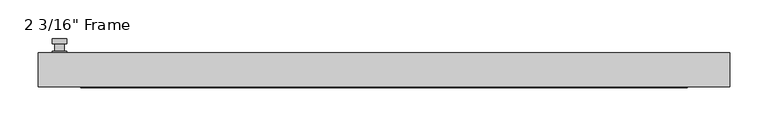
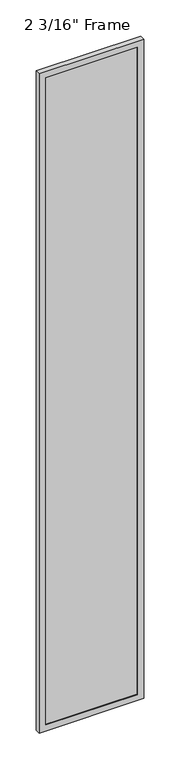
"""IFC4 building model written with IfcOpenShell, lengths in millimetres: plate geometry."""

import ifcopenshell
import ifcopenshell.guid

model = None  # the IFC model being written
_history = None  # IfcOwnerHistory: only IFC2X3 demands one
_inside = {}  # id of a spatial element -> (the spatial element, [elements in it])
_under = {}  # id of a project, library or spatial element -> (it, [spatial elements below it])
_declared = {}  # id of a project -> (the project, [libraries it declares])
_typed = {}  # id of a type object -> (the type object, [elements of that type])
_made_of = {}  # id of a material, layer set ... -> (it, [elements and type objects made of it])


def new_model(schema):
    """Start an empty IFC model of exactly this schema.

    Asked for "IFC4X3", IfcOpenShell would pick the latest addendum, in which some entities
    have other attributes; the version numbers below select the first issue.
    IFC2X3 requires an IfcOwnerHistory on every rooted entity: one is made here for all.
    """
    global model, _history
    if schema == "IFC4X3":
        model = ifcopenshell.file(schema_version=(4, 3, 0, 0))
    else:
        model = ifcopenshell.file(schema=schema)
    _inside.clear()
    _under.clear()
    _declared.clear()
    _typed.clear()
    _made_of.clear()
    _history = None
    if model.schema == "IFC2X3":
        org = make("IfcOrganization", Name="unknown")
        user = make(
            "IfcPersonAndOrganization",
            ThePerson=make("IfcPerson", FamilyName="unknown"),
            TheOrganization=org,
        )
        app = make(
            "IfcApplication",
            ApplicationDeveloper=org,
            Version="unknown",
            ApplicationFullName="unknown",
            ApplicationIdentifier="unknown",
        )
        _history = make(
            "IfcOwnerHistory",
            OwningUser=user,
            OwningApplication=app,
            ChangeAction="ADDED",
            CreationDate=0,
        )
    return model


def make(cls, **values):
    """One entity of the class cls with the attributes given. An attribute that is None is left unset."""
    return model.create_entity(
        cls, **{name: value for name, value in values.items() if value is not None}
    )


def rooted(cls, **values):
    """An entity with a GlobalId (a new one), such as an element, a storey or a relation."""
    return make(cls, GlobalId=ifcopenshell.guid.new(), OwnerHistory=_history, **values)


def si_unit(unit_type, name, prefix=None):
    """IfcSIUnit, for example si_unit("LENGTHUNIT", "METRE", prefix="MILLI")."""
    return make("IfcSIUnit", UnitType=unit_type, Prefix=prefix, Name=name)


def assignment(units):
    """IfcUnitAssignment: the units of a project."""
    return None if units is None else make("IfcUnitAssignment", Units=units)


def point(xyz):
    """IfcCartesianPoint."""
    return None if xyz is None else make("IfcCartesianPoint", Coordinates=xyz)


def direction(xyz):
    """IfcDirection."""
    return None if xyz is None else make("IfcDirection", DirectionRatios=xyz)


def frame(location, z_axis=None, x_axis=None):
    """IfcAxis2Placement3D, a coordinate frame: its origin and axes. An axis left out is left unset."""
    return make(
        "IfcAxis2Placement3D",
        Location=point(location),
        Axis=direction(z_axis),
        RefDirection=direction(x_axis),
    )


def origin():
    """The frame at (0, 0, 0) with its axes left unset."""
    return frame((0.0, 0.0, 0.0))


def place(relative_to, where):
    """IfcLocalPlacement: puts the frame where relative to a parent placement (None: the world)."""
    return make(
        "IfcLocalPlacement", PlacementRelTo=relative_to, RelativePlacement=where
    )


def context(
    kind, dimensions, precision=None, world=None, true_north=None, identifier=None
):
    """IfcGeometricRepresentationContext, for example the 3D "Model" context."""
    return make(
        "IfcGeometricRepresentationContext",
        ContextIdentifier=identifier,
        ContextType=kind,
        CoordinateSpaceDimension=dimensions,
        Precision=precision,
        WorldCoordinateSystem=world,
        TrueNorth=true_north,
    )


def project(units=None, contexts=None):
    """IfcProject with its units and contexts."""
    return rooted(
        "IfcProject",
        Name="project",
        RepresentationContexts=contexts,
        UnitsInContext=assignment(units),
    )


def spatial(cls, under=None, at=None, **own):
    """A site, building, storey or space (cls), placed at a placement, below another one or the project."""
    s = rooted(cls, ObjectPlacement=at, **own)
    if under is not None:
        _under.setdefault(under.id(), (under, []))[1].append(s)
    return s


def polyline(points):
    """IfcPolyline through the points."""
    return make("IfcPolyline", Points=[point(p) for p in points])


def circle_curve(where, radius):
    """IfcCircle in the frame where."""
    return make("IfcCircle", Position=where, Radius=radius)


def outline(outer, holes=None, kind="AREA"):
    """IfcArbitraryClosedProfileDef: a profile drawn as a closed curve; with holes, ...WithVoids."""
    if holes is None:
        return make("IfcArbitraryClosedProfileDef", ProfileType=kind, OuterCurve=outer)
    return make(
        "IfcArbitraryProfileDefWithVoids",
        ProfileType=kind,
        OuterCurve=outer,
        InnerCurves=holes,
    )


def extrude(swept, where, along, depth):
    """IfcExtrudedAreaSolid: the profile swept, set in the frame where, extruded along a direction by depth."""
    return make(
        "IfcExtrudedAreaSolid",
        SweptArea=swept,
        Position=where,
        ExtrudedDirection=direction(along),
        Depth=depth,
    )


def faces_of(points, faces, orient=None, outer=None):
    """IfcFace entities. A face is a list of loops; a loop is a list of indices into points, from 0.

    orient and outer hold one flag for each loop. By default every Orientation is true, the
    first loop of a face is its IfcFaceOuterBound and the others are IfcFaceBound.
    """
    made = []
    for i, loops in enumerate(faces):
        bounds = []
        for j, loop in enumerate(loops):
            is_outer = j == 0 if outer is None else outer[i][j]
            bounds.append(
                make(
                    "IfcFaceOuterBound" if is_outer else "IfcFaceBound",
                    Bound=make("IfcPolyLoop", Polygon=[points[k] for k in loop]),
                    Orientation=True if orient is None else orient[i][j],
                )
            )
        made.append(make("IfcFace", Bounds=bounds))
    return made


def faceted_brep(points, faces, orient=None, outer=None, voids=None):
    """IfcFacetedBrep: a solid bounded by flat faces; with voids (closed shells), ...WithVoids."""
    shared = [point(p) for p in points]
    hull = make("IfcClosedShell", CfsFaces=faces_of(shared, faces, orient, outer))
    if voids is None:
        return make("IfcFacetedBrep", Outer=hull)
    return make(
        "IfcFacetedBrepWithVoids",
        Outer=hull,
        Voids=[
            make(cls, CfsFaces=faces_of(shared, fs, o, b)) for cls, fs, o, b in voids
        ],
    )


def shape(context_of_items, identifier, shape_type, items):
    """IfcShapeRepresentation: the items that make up one representation, for example the "Body"."""
    return make(
        "IfcShapeRepresentation",
        ContextOfItems=context_of_items,
        RepresentationIdentifier=identifier,
        RepresentationType=shape_type,
        Items=items,
    )


def source(mapping_origin, context_of_items, identifier, shape_type, items):
    """IfcRepresentationMap: a shape defined once, which mapped items show again and again."""
    return make(
        "IfcRepresentationMap",
        MappingOrigin=mapping_origin,
        MappedRepresentation=shape(context_of_items, identifier, shape_type, items),
    )


def transform(
    local_origin,
    x_axis=None,
    y_axis=None,
    z_axis=None,
    scale=None,
    scale2=None,
    scale3=None,
    uniform=True,
):
    """IfcCartesianTransformationOperator3D, or its non-uniform kind. x_axis, y_axis, z_axis: its Axis1, 2, 3."""
    if uniform:
        return make(
            "IfcCartesianTransformationOperator3D",
            Axis1=direction(x_axis),
            Axis2=direction(y_axis),
            LocalOrigin=point(local_origin),
            Scale=scale,
            Axis3=direction(z_axis),
        )
    return make(
        "IfcCartesianTransformationOperator3DnonUniform",
        Axis1=direction(x_axis),
        Axis2=direction(y_axis),
        LocalOrigin=point(local_origin),
        Scale=scale,
        Axis3=direction(z_axis),
        Scale2=scale2,
        Scale3=scale3,
    )


def mapped(mapping_source, mapping_target):
    """IfcMappedItem: shows the shape of a source again, moved by a transform."""
    return make(
        "IfcMappedItem", MappingSource=mapping_source, MappingTarget=mapping_target
    )


def made_of(thing, what):
    """Note that an element or type object is made of a material, layer set ...; save() writes the relation."""
    if what is not None:
        _made_of.setdefault(what.id(), (what, []))[1].append(thing)
    return thing


def element(
    cls,
    number,
    at=None,
    inside=None,
    cuts=None,
    type_object=None,
    material=None,
    context=None,
    identifier="Body",
    shape_type=None,
    held_by="IfcProductDefinitionShape",
    body=None,
    shapes=None,
    **own,
):
    """One element of the class cls, such as IfcWall. Its Tag is "e" and its number.

    at: its placement. inside: the storey or other place that contains it. cuts: it is an
    opening in that element (IfcRelVoidsElement). A single representation is given by context,
    identifier, shape_type and body (its items); several are given by shapes. held_by: the class
    of the entity that holds the representations. save() writes the other relations.
    """
    e = rooted(cls, Tag="e%d" % number, ObjectPlacement=at, **own)
    if body is not None:
        shapes = [shape(context, identifier, shape_type, body)]
    if shapes is not None:
        e.Representation = make(held_by, Representations=shapes)
    if inside is not None:
        _inside.setdefault(inside.id(), (inside, []))[1].append(e)
    if cuts is not None:
        rooted(
            "IfcRelVoidsElement", RelatingBuildingElement=cuts, RelatedOpeningElement=e
        )
    if type_object is not None:
        _typed.setdefault(type_object.id(), (type_object, []))[1].append(e)
    return made_of(e, material)


def aggregate(whole, parts):
    """IfcRelAggregates: a whole, such as a stair, and the parts it consists of."""
    return rooted("IfcRelAggregates", RelatingObject=whole, RelatedObjects=parts)


def save(model, path):
    """Write the relations noted so far, then the file.

    IfcRelAggregates (storeys below a building ...), IfcRelContainedInSpatialStructure (elements
    in a storey), IfcRelDefinesByType, IfcRelAssociatesMaterial and IfcRelDeclares: one each for
    every whole, place, type object, material and project.
    """
    for whole, parts in _under.values():
        aggregate(whole, parts)
    for where, things in _inside.values():
        rooted(
            "IfcRelContainedInSpatialStructure",
            RelatedElements=things,
            RelatingStructure=where,
        )
    for kind, things in _typed.values():
        rooted("IfcRelDefinesByType", RelatedObjects=things, RelatingType=kind)
    for what, things in _made_of.values():
        rooted("IfcRelAssociatesMaterial", RelatedObjects=things, RelatingMaterial=what)
    for by, libraries in _declared.values():
        rooted("IfcRelDeclares", RelatingContext=by, RelatedDefinitions=libraries)
    model.write(path)


def plane_surface(at):
    """IfcPlane: the flat surface through the origin of the frame at, square to its z axis."""
    return make("IfcPlane", Position=at)


def cylinder_surface(at, radius):
    """IfcCylindricalSurface: all points at the distance radius from the z axis of the frame at."""
    return make("IfcCylindricalSurface", Position=at, Radius=radius)


def advanced_brep(points, edges, surfaces, faces):
    """IfcAdvancedBrep: a solid bounded by faces that lie on surfaces and meet in shared edges.

    An edge is (start, end): straight between two places in points (the first is 0);
    or (start, end, curve); or (start, end, curve, False) where it runs against its curve.
    A face is (place in surfaces, loops), or (place, loops, False) where it looks against
    its surface's normal. A loop lists edges by number (the first is 1), with a minus sign
    where the edge is run from its end to its start. The first loop is the outer one.
    """
    corners = [point(p) for p in points]
    vertices = [make("IfcVertexPoint", VertexGeometry=c) for c in corners]
    made = []
    for start, end, *more in edges:
        made.append(
            make(
                "IfcEdgeCurve",
                EdgeStart=vertices[start],
                EdgeEnd=vertices[end],
                EdgeGeometry=more[0] if more else make("IfcPolyline", Points=[corners[start], corners[end]]),
                SameSense=more[1] if len(more) > 1 else True,
            )
        )
    hull = []
    for where, loops, *sense in faces:
        bounds = []
        for j, loop in enumerate(loops):
            ring = [make("IfcOrientedEdge", EdgeElement=made[abs(k) - 1], Orientation=k > 0) for k in loop]
            bounds.append(
                make(
                    "IfcFaceOuterBound" if j == 0 else "IfcFaceBound",
                    Bound=make("IfcEdgeLoop", EdgeList=ring),
                    Orientation=True,
                )
            )
        hull.append(make("IfcAdvancedFace", Bounds=bounds, FaceSurface=surfaces[where], SameSense=sense[0] if sense else True))
    return make("IfcAdvancedBrep", Outer=make("IfcClosedShell", CfsFaces=hull))


def plate_f7bbe031(model_context):
    return source(origin(), model_context, "Body", "SolidModel", [
        advanced_brep(
        [(-415.13125, 22.225, 927.1), (-434.18125, 22.225, 927.1), (-434.18125, 22.225, 901.7), (-415.13125, 22.225, 901.7), (-418.30625, 34.925, 914.4), (-418.30625, 25.4, 914.4), (-431.00625, 25.4, 914.4), (-431.00625, 34.925, 914.4), (-415.13125, 34.925, 914.4), (-434.18125, 34.925, 914.4), (-431.0022144, 34.925, 825.2736467), (-418.3102856, 34.925, 825.2736467), (-415.13125, 41.275, 914.4), (-418.3102856, 41.275, 825.2736467), (-431.0022144, 41.275, 825.2736467), (-434.18125, 41.275, 914.4), (-415.13125, 25.4, 927.1), (-415.13125, 25.4, 901.7), (-434.18125, 25.4, 901.7), (-434.18125, 25.4, 927.1)],
        [
            (0, 1, circle_curve(frame((-424.65625, 22.225, 927.1), z_axis=(0.0, -1.0, 0.0), x_axis=(-1.0, 0.0, 0.0)), 9.525)),
            (1, 2),
            (2, 3, circle_curve(frame((-424.65625, 22.225, 901.7), z_axis=(0.0, -1.0, 0.0), x_axis=(-1.0, 0.0, 0.0)), 9.525)),
            (3, 0),
            (4, 5),
            (5, 6, circle_curve(frame((-424.65625, 25.4, 914.4), z_axis=(0.0, 1.0, 0.0), x_axis=(-1.0, 0.0, 0.0)), 6.35)),
            (6, 7),
            (7, 4, circle_curve(frame((-424.65625, 34.925, 914.4), z_axis=(0.0, -1.0, 0.0), x_axis=(-1.0, 0.0, 0.0)), 6.35)),
            (6, 5, circle_curve(frame((-424.65625, 25.4, 914.4), z_axis=(0.0, 1.0, 0.0), x_axis=(-1.0, 0.0, 0.0)), 6.35)),
            (4, 7, circle_curve(frame((-424.65625, 34.925, 914.4), z_axis=(0.0, -1.0, 0.0), x_axis=(-1.0, 0.0, 0.0)), 6.35)),
            (8, 9, circle_curve(frame((-424.65625, 34.925, 914.4), z_axis=(0.0, -1.0, 0.0), x_axis=(-1.0, 0.0, 0.0)), 9.525)),
            (9, 10),
            (10, 11, circle_curve(frame((-424.65625, 34.925, 825.5), z_axis=(0.0, -1.0, 0.0), x_axis=(-1.0, 0.0, 0.0)), 6.35)),
            (11, 8),
            (12, 13),
            (13, 14, circle_curve(frame((-424.65625, 41.275, 825.5), z_axis=(0.0, 1.0, 0.0), x_axis=(-1.0, 0.0, 0.0)), 6.35)),
            (14, 15),
            (15, 12, circle_curve(frame((-424.65625, 41.275, 914.4), z_axis=(0.0, 1.0, 0.0), x_axis=(-1.0, 0.0, 0.0)), 9.525)),
            (11, 13),
            (12, 8),
            (10, 14),
            (9, 15),
            (16, 17),
            (17, 18, circle_curve(frame((-424.65625, 25.4, 901.7), z_axis=(0.0, 1.0, 0.0), x_axis=(-1.0, 0.0, 0.0)), 9.525)),
            (18, 19),
            (19, 16, circle_curve(frame((-424.65625, 25.4, 927.1), z_axis=(0.0, 1.0, 0.0), x_axis=(-1.0, 0.0, 0.0)), 9.525)),
            (3, 17),
            (16, 0),
            (2, 18),
            (1, 19),
        ],
        [
            plane_surface(frame((-431.00625, 22.225, 914.4), z_axis=(0.0, -1.0, 0.0), x_axis=(0.0, 0.0, 1.0))),
            cylinder_surface(frame((-424.65625, 34.925, 914.4), z_axis=(0.0, -1.0, 0.0), x_axis=(-1.0, 0.0, 0.0)), 6.35),
            plane_surface(frame((-415.13125, 34.925, 914.4), z_axis=(0.0, -1.0000000000000002, 0.0), x_axis=(-0.03564619348186888, 0.0, -0.9993644724975235))),
            plane_surface(frame((-415.13125, 41.275, 914.4), z_axis=(0.0, 1.0000000000000002, 0.0), x_axis=(0.03564619348186888, 0.0, 0.9993644724975235))),
            plane_surface(frame((-415.13125, 34.925, 914.4), z_axis=(0.9993644724975235, 0.0, -0.03564619348186888), x_axis=(0.0, 1.0, 0.0))),
            cylinder_surface(frame((-424.65625, 41.275, 825.5), z_axis=(0.0, -1.0, 0.0), x_axis=(-1.0, 0.0, 0.0)), 6.35),
            plane_surface(frame((-431.0022144, 34.925, 825.2736467), z_axis=(-0.9993644724975228, 0.0, -0.03564619348188612), x_axis=(0.0, 1.0, 0.0))),
            cylinder_surface(frame((-424.65625, 41.275, 914.4), z_axis=(0.0, -1.0, 0.0), x_axis=(-1.0, 0.0, 0.0)), 9.525),
            plane_surface(frame((-415.13125, 25.4, 901.7), z_axis=(0.0, 1.0, 0.0), x_axis=(0.0, 0.0, 1.0))),
            plane_surface(frame((-415.13125, 22.225, 927.1), z_axis=(1.0, 0.0, 0.0), x_axis=(0.0, 1.0, 0.0))),
            cylinder_surface(frame((-424.65625, 25.4, 901.7), z_axis=(0.0, -1.0, 0.0), x_axis=(-1.0, 0.0, 0.0)), 9.525),
            plane_surface(frame((-434.18125, 22.225, 901.7), z_axis=(-1.0, 0.0, 0.0), x_axis=(0.0, 1.0, 0.0))),
            cylinder_surface(frame((-424.65625, 25.4, 927.1), z_axis=(0.0, -1.0, 0.0), x_axis=(-1.0, 0.0, 0.0)), 9.525),
        ],
        [
            (0, [[1, 2, 3, 4]]),
            (1, [[5, 6, 7, 8]]),
            (1, [[-7, 9, -5, 10]]),
            (2, [[11, 12, 13, 14], [-10, -8]]),
            (3, [[15, 16, 17, 18]]),
            (4, [[19, -15, 20, -14]]),
            (5, [[21, -16, -19, -13]]),
            (6, [[22, -17, -21, -12]]),
            (7, [[-20, -18, -22, -11]]),
            (8, [[23, 24, 25, 26], [-9, -6]]),
            (9, [[27, -23, 28, -4]]),
            (10, [[29, -24, -27, -3]]),
            (11, [[30, -25, -29, -2]]),
            (12, [[-28, -26, -30, -1]]),
        ],
    ),
        faceted_brep([(-452.4375, 22.225, 0.0), (452.4375, 22.225, 0.0), (452.4375, -22.225, 0.0), (-452.4375, -22.225, 0.0), (-396.875, -22.225, 5975.35), (-396.875, -22.225, 55.5625), (-396.875, -15.875, 55.5625), (-396.875, -15.875, 5975.35), (409.575, -15.875, 5988.05), (409.575, -15.875, 42.8625), (-409.575, -15.875, 42.8625), (-409.575, -15.875, 5988.05), (396.875, -15.875, 55.5625), (396.875, -15.875, 5975.35), (-409.575, 7.9375, 42.8625), (-409.575, 7.9375, 5988.05), (409.575, 7.9375, 42.8625), (409.575, 7.9375, 5988.05), (-396.875, 7.9375, 5975.35), (396.875, 7.9375, 5975.35), (396.875, 7.9375, 55.5625), (-396.875, 7.9375, 55.5625), (-396.875, 22.225, 55.5625), (-396.875, 22.225, 5975.35), (-452.4375, 22.225, 6030.9125), (452.4375, 22.225, 6030.9125), (396.875, 22.225, 55.5625), (396.875, 22.225, 5975.35), (-452.4375, -22.225, 6030.9125), (452.4375, -22.225, 6030.9125), (396.875, -22.225, 5975.35), (396.875, -22.225, 55.5625)], [[[0, 1, 2, 3]], [[4, 5, 6, 7]], [[8, 9, 10, 11], [7, 6, 12, 13]], [[10, 14, 15, 11]], [[15, 14, 16, 17], [18, 19, 20, 21]], [[18, 21, 22, 23]], [[0, 24, 25, 1], [23, 22, 26, 27]], [[3, 28, 24, 0]], [[2, 29, 28, 3], [4, 30, 31, 5]], [[7, 13, 30, 4]], [[11, 15, 17, 8]], [[18, 23, 27, 19]], [[24, 28, 29, 25]], [[13, 12, 31, 30]], [[16, 9, 8, 17]], [[27, 26, 20, 19]], [[25, 29, 2, 1]], [[22, 21, 20, 26]], [[9, 16, 14, 10]], [[6, 5, 31, 12]]]),
        extrude(outline(polyline([(409.575, 7.9375), (409.575, -15.875), (-409.575, -15.875), (-409.575, 7.9375), (409.575, 7.9375)])), frame((0.0, 0.0, 42.8625), z_axis=(0.0, 0.0, 1.0), x_axis=(1.0, 0.0, 0.0)), (0.0, 0.0, 1.0), 5945.1875),
    ])


if __name__ == "__main__":
    model = new_model("IFC4")
    model_context = context("Model", 3, world=origin())
    ifc_project = project(units=[si_unit("LENGTHUNIT", "METRE", prefix="MILLI")], contexts=[model_context])
    site = spatial("IfcSite", under=ifc_project)
    building = spatial("IfcBuilding", under=site)
    placement = place(None, origin())
    plate_shape = plate_f7bbe031(model_context)
    element("IfcPlate", 1, ObjectType="2 3/16\" Frame", at=placement, inside=building, context=model_context, shape_type="MappedRepresentation", body=[
        mapped(plate_shape, transform((0.0, 0.0, 0.0), x_axis=(1.0, 0.0, 0.0), y_axis=(0.0, 1.0, 0.0), z_axis=(0.0, 0.0, 1.0))),
    ])
    save(model, "model.ifc")
